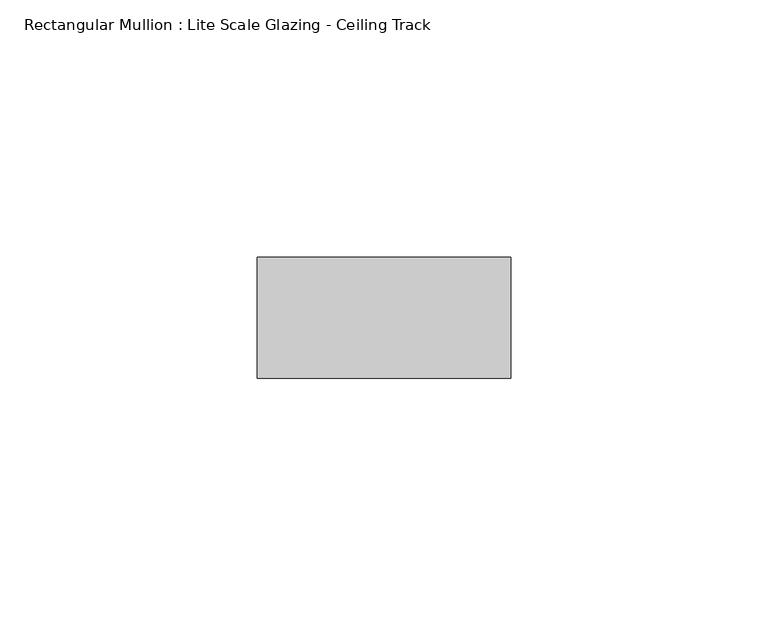
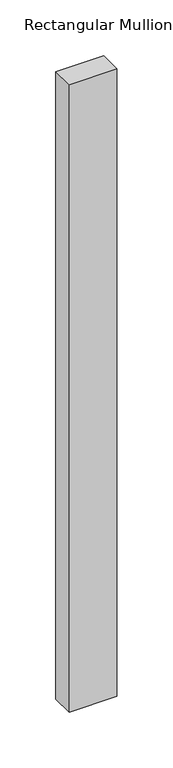
"""IFC4 building model written with IfcOpenShell, lengths in millimetres: member geometry, Rectangular Mullion : Lite Scale Glazing - Ceiling Track."""

from ifc_helpers import new_model, si_unit, frame, origin, place, context, project, spatial, polyline, outline, extrude, source, transform, mapped, element, save


def rectangular_mullion_lite_scale_glazing_ceiling_track_ac723210(model_context):
    return source(origin(), model_context, "Body", "SweptSolid", [
        extrude(outline(polyline([(-49.276, -11.7474999), (-49.276, 11.7474999), (0.0, 11.7474999), (0.0, -11.7474999), (-49.276, -11.7474999)])), frame((0.0, 0.0, -684.7741993), z_axis=(0.0, 0.0, 1.0), x_axis=(1.0, 0.0, 0.0)), (0.0, 0.0, 1.0), 684.7741993),
    ])


if __name__ == "__main__":
    model = new_model("IFC4")
    model_context = context("Model", 3, world=origin())
    ifc_project = project(units=[si_unit("LENGTHUNIT", "METRE", prefix="MILLI")], contexts=[model_context])
    site = spatial("IfcSite", under=ifc_project)
    building = spatial("IfcBuilding", under=site)
    placement = place(None, origin())
    rectangular_mullion_lite_scale_glazing_ceiling_track_shape = rectangular_mullion_lite_scale_glazing_ceiling_track_ac723210(model_context)
    element("IfcMember", 1, ObjectType="Rectangular Mullion : Lite Scale Glazing - Ceiling Track", at=placement, inside=building, context=model_context, shape_type="MappedRepresentation", body=[
        mapped(rectangular_mullion_lite_scale_glazing_ceiling_track_shape, transform((0.0, 0.0, 0.0), x_axis=(1.0, 0.0, 0.0), y_axis=(0.0, 1.0, 0.0), z_axis=(0.0, 0.0, 1.0))),
    ])
    save(model, "model.ifc")
